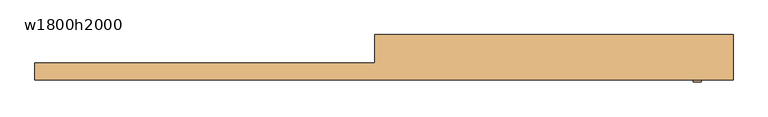
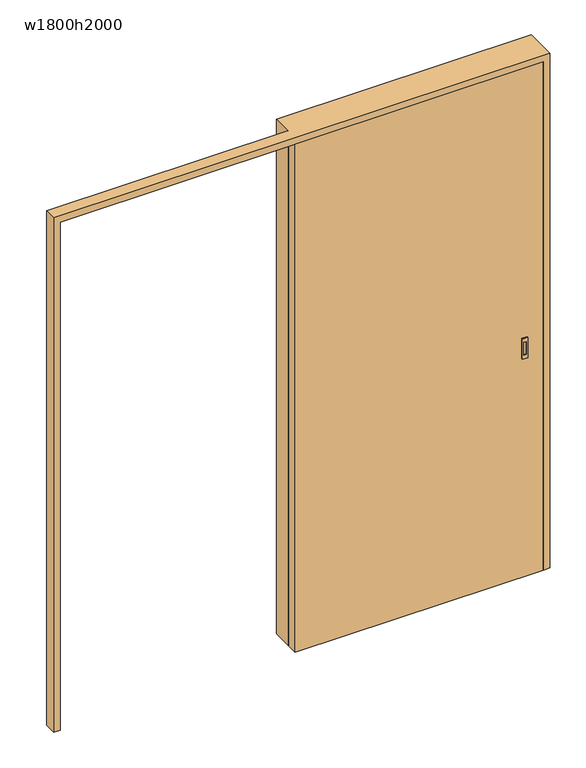
"""IFC4 building model written with IfcOpenShell, lengths in millimetres: door geometry, w1800h2000."""

from ifc_helpers import new_model, si_unit, origin, origin_with_axes, place, context, project, spatial, polyline, outline, extrude, faceted_brep, source, transform, mapped, element, save


def w1800h2000_f6699b6c(model_context):
    return source(origin(), model_context, "Body", "SolidModel", [
        extrude(outline(polyline([(600.0, 30.0), (-325.0, 30.0), (-325.0, 70.0), (600.0, 70.0), (600.0, 30.0)])), origin_with_axes(), (0.0, 0.0, 1.0), 2000.0),
        faceted_brep([(540.0, 50.0, 940.0), (540.0, 50.0, 860.0), (520.0, 50.0, 860.0), (520.0, 50.0, 940.0), (525.0, 50.0, 925.0), (525.0, 50.0, 875.0), (535.0, 50.0, 875.0), (535.0, 50.0, 925.0), (540.0, 45.0, 940.0), (520.0, 45.0, 940.0), (520.0, 45.0, 860.0), (540.0, 45.0, 860.0), (535.0, 47.0, 925.0), (535.0, 47.0, 875.0), (525.0, 47.0, 875.0), (525.0, 47.0, 925.0)], [[[0, 1, 2, 3], [4, 5, 6, 7]], [[8, 9, 10, 11]], [[3, 9, 8, 0]], [[2, 10, 9, 3]], [[1, 11, 10, 2]], [[0, 8, 11, 1]], [[12, 13, 14, 15]], [[15, 4, 7, 12]], [[14, 5, 4, 15]], [[13, 6, 5, 14]], [[12, 7, 6, 13]]]),
        faceted_brep([(540.0, 25.0, 940.0), (520.0, 25.0, 940.0), (520.0, 25.0, 860.0), (540.0, 25.0, 860.0), (525.0, 25.0, 925.0), (535.0, 25.0, 925.0), (535.0, 25.0, 875.0), (525.0, 25.0, 875.0), (540.0, 30.0, 940.0), (540.0, 30.0, 860.0), (520.0, 30.0, 860.0), (520.0, 30.0, 940.0), (535.0, 28.0, 925.0), (525.0, 28.0, 925.0), (525.0, 28.0, 875.0), (535.0, 28.0, 875.0)], [[[0, 1, 2, 3], [4, 5, 6, 7]], [[8, 9, 10, 11]], [[1, 0, 8, 11]], [[2, 1, 11, 10]], [[3, 2, 10, 9]], [[0, 3, 9, 8]], [[12, 13, 14, 15]], [[13, 12, 5, 4]], [[14, 13, 4, 7]], [[15, 14, 7, 6]], [[12, 15, 6, 5]]]),
        faceted_brep([(-325.0, 150.0, 0.0), (-325.0, 75.0, 0.0), (-325.0, 75.0, 2000.0), (-325.0, 75.0, 2025.0), (-325.0, 150.0, 2025.0), (600.0, 30.0, 2000.0), (600.0, 30.0, 0.0), (625.0, 30.0, 0.0), (625.0, 30.0, 2025.0), (-1225.0, 30.0, 2025.0), (-1225.0, 30.0, 0.0), (-1200.0, 30.0, 0.0), (-1200.0, 30.0, 2000.0), (625.0, 150.0, 2025.0), (-1225.0, 75.0, 2025.0), (625.0, 150.0, 0.0), (600.0, 150.0, 0.0), (600.0, 150.0, 2000.0), (-300.0, 150.0, 2000.0), (-300.0, 150.0, 0.0), (-1200.0, 75.0, 2000.0), (-300.0, 75.0, 2000.0), (-300.0, 75.0, 0.0), (-1225.0, 75.0, 0.0), (-1200.0, 75.0, 0.0)], [[[0, 1, 2, 3, 4]], [[5, 6, 7, 8, 9, 10, 11, 12]], [[9, 8, 13, 4, 3, 14]], [[13, 15, 16, 17, 18, 19, 0, 4]], [[5, 12, 20, 2, 21, 18, 17]], [[7, 6, 16, 15]], [[8, 7, 15, 13]], [[6, 5, 17, 16]], [[22, 1, 0, 19]], [[22, 19, 18, 21]], [[1, 22, 21, 2]], [[10, 23, 24, 11]], [[23, 10, 9, 14]], [[24, 23, 14, 3, 2, 20]], [[11, 24, 20, 12]]]),
    ])


if __name__ == "__main__":
    model = new_model("IFC4")
    model_context = context("Model", 3, world=origin())
    ifc_project = project(units=[si_unit("LENGTHUNIT", "METRE", prefix="MILLI")], contexts=[model_context])
    site = spatial("IfcSite", under=ifc_project)
    building = spatial("IfcBuilding", under=site)
    placement = place(None, origin())
    w1800h2000_shape = w1800h2000_f6699b6c(model_context)
    element("IfcDoor", 1, ObjectType="w1800h2000", at=placement, inside=building, context=model_context, shape_type="MappedRepresentation", body=[
        mapped(w1800h2000_shape, transform((0.0, 0.0, 0.0), x_axis=(1.0, 0.0, 0.0), y_axis=(0.0, 1.0, 0.0), z_axis=(0.0, 0.0, 1.0))),
    ])
    save(model, "model.ifc")
